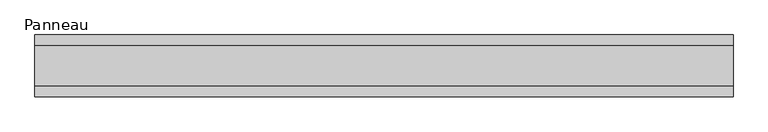
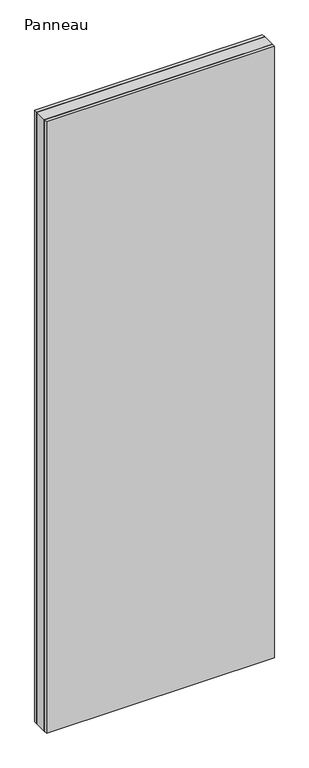
"""IFC4 building model written with IfcOpenShell, lengths in millimetres: plate geometry, Panneau."""

import ifcopenshell
import ifcopenshell.guid

model = None  # the IFC model being written
_history = None  # IfcOwnerHistory: only IFC2X3 demands one
_inside = {}  # id of a spatial element -> (the spatial element, [elements in it])
_under = {}  # id of a project, library or spatial element -> (it, [spatial elements below it])
_declared = {}  # id of a project -> (the project, [libraries it declares])
_typed = {}  # id of a type object -> (the type object, [elements of that type])
_made_of = {}  # id of a material, layer set ... -> (it, [elements and type objects made of it])


def new_model(schema):
    """Start an empty IFC model of exactly this schema.

    Asked for "IFC4X3", IfcOpenShell would pick the latest addendum, in which some entities
    have other attributes; the version numbers below select the first issue.
    IFC2X3 requires an IfcOwnerHistory on every rooted entity: one is made here for all.
    """
    global model, _history
    if schema == "IFC4X3":
        model = ifcopenshell.file(schema_version=(4, 3, 0, 0))
    else:
        model = ifcopenshell.file(schema=schema)
    _inside.clear()
    _under.clear()
    _declared.clear()
    _typed.clear()
    _made_of.clear()
    _history = None
    if model.schema == "IFC2X3":
        org = make("IfcOrganization", Name="unknown")
        user = make(
            "IfcPersonAndOrganization",
            ThePerson=make("IfcPerson", FamilyName="unknown"),
            TheOrganization=org,
        )
        app = make(
            "IfcApplication",
            ApplicationDeveloper=org,
            Version="unknown",
            ApplicationFullName="unknown",
            ApplicationIdentifier="unknown",
        )
        _history = make(
            "IfcOwnerHistory",
            OwningUser=user,
            OwningApplication=app,
            ChangeAction="ADDED",
            CreationDate=0,
        )
    return model


def make(cls, **values):
    """One entity of the class cls with the attributes given. An attribute that is None is left unset."""
    return model.create_entity(
        cls, **{name: value for name, value in values.items() if value is not None}
    )


def rooted(cls, **values):
    """An entity with a GlobalId (a new one), such as an element, a storey or a relation."""
    return make(cls, GlobalId=ifcopenshell.guid.new(), OwnerHistory=_history, **values)


def si_unit(unit_type, name, prefix=None):
    """IfcSIUnit, for example si_unit("LENGTHUNIT", "METRE", prefix="MILLI")."""
    return make("IfcSIUnit", UnitType=unit_type, Prefix=prefix, Name=name)


def assignment(units):
    """IfcUnitAssignment: the units of a project."""
    return None if units is None else make("IfcUnitAssignment", Units=units)


def point(xyz):
    """IfcCartesianPoint."""
    return None if xyz is None else make("IfcCartesianPoint", Coordinates=xyz)


def direction(xyz):
    """IfcDirection."""
    return None if xyz is None else make("IfcDirection", DirectionRatios=xyz)


def frame(location, z_axis=None, x_axis=None):
    """IfcAxis2Placement3D, a coordinate frame: its origin and axes. An axis left out is left unset."""
    return make(
        "IfcAxis2Placement3D",
        Location=point(location),
        Axis=direction(z_axis),
        RefDirection=direction(x_axis),
    )


def origin():
    """The frame at (0, 0, 0) with its axes left unset."""
    return frame((0.0, 0.0, 0.0))


def origin_with_axes():
    """The frame at (0, 0, 0) with the z axis (0, 0, 1) and the x axis (1, 0, 0) written out."""
    return frame((0.0, 0.0, 0.0), z_axis=(0.0, 0.0, 1.0), x_axis=(1.0, 0.0, 0.0))


def place(relative_to, where):
    """IfcLocalPlacement: puts the frame where relative to a parent placement (None: the world)."""
    return make(
        "IfcLocalPlacement", PlacementRelTo=relative_to, RelativePlacement=where
    )


def context(
    kind, dimensions, precision=None, world=None, true_north=None, identifier=None
):
    """IfcGeometricRepresentationContext, for example the 3D "Model" context."""
    return make(
        "IfcGeometricRepresentationContext",
        ContextIdentifier=identifier,
        ContextType=kind,
        CoordinateSpaceDimension=dimensions,
        Precision=precision,
        WorldCoordinateSystem=world,
        TrueNorth=true_north,
    )


def project(units=None, contexts=None):
    """IfcProject with its units and contexts."""
    return rooted(
        "IfcProject",
        Name="project",
        RepresentationContexts=contexts,
        UnitsInContext=assignment(units),
    )


def spatial(cls, under=None, at=None, **own):
    """A site, building, storey or space (cls), placed at a placement, below another one or the project."""
    s = rooted(cls, ObjectPlacement=at, **own)
    if under is not None:
        _under.setdefault(under.id(), (under, []))[1].append(s)
    return s


def polyline(points):
    """IfcPolyline through the points."""
    return make("IfcPolyline", Points=[point(p) for p in points])


def outline(outer, holes=None, kind="AREA"):
    """IfcArbitraryClosedProfileDef: a profile drawn as a closed curve; with holes, ...WithVoids."""
    if holes is None:
        return make("IfcArbitraryClosedProfileDef", ProfileType=kind, OuterCurve=outer)
    return make(
        "IfcArbitraryProfileDefWithVoids",
        ProfileType=kind,
        OuterCurve=outer,
        InnerCurves=holes,
    )


def extrude(swept, where, along, depth):
    """IfcExtrudedAreaSolid: the profile swept, set in the frame where, extruded along a direction by depth."""
    return make(
        "IfcExtrudedAreaSolid",
        SweptArea=swept,
        Position=where,
        ExtrudedDirection=direction(along),
        Depth=depth,
    )


def shape(context_of_items, identifier, shape_type, items):
    """IfcShapeRepresentation: the items that make up one representation, for example the "Body"."""
    return make(
        "IfcShapeRepresentation",
        ContextOfItems=context_of_items,
        RepresentationIdentifier=identifier,
        RepresentationType=shape_type,
        Items=items,
    )


def source(mapping_origin, context_of_items, identifier, shape_type, items):
    """IfcRepresentationMap: a shape defined once, which mapped items show again and again."""
    return make(
        "IfcRepresentationMap",
        MappingOrigin=mapping_origin,
        MappedRepresentation=shape(context_of_items, identifier, shape_type, items),
    )


def transform(
    local_origin,
    x_axis=None,
    y_axis=None,
    z_axis=None,
    scale=None,
    scale2=None,
    scale3=None,
    uniform=True,
):
    """IfcCartesianTransformationOperator3D, or its non-uniform kind. x_axis, y_axis, z_axis: its Axis1, 2, 3."""
    if uniform:
        return make(
            "IfcCartesianTransformationOperator3D",
            Axis1=direction(x_axis),
            Axis2=direction(y_axis),
            LocalOrigin=point(local_origin),
            Scale=scale,
            Axis3=direction(z_axis),
        )
    return make(
        "IfcCartesianTransformationOperator3DnonUniform",
        Axis1=direction(x_axis),
        Axis2=direction(y_axis),
        LocalOrigin=point(local_origin),
        Scale=scale,
        Axis3=direction(z_axis),
        Scale2=scale2,
        Scale3=scale3,
    )


def mapped(mapping_source, mapping_target):
    """IfcMappedItem: shows the shape of a source again, moved by a transform."""
    return make(
        "IfcMappedItem", MappingSource=mapping_source, MappingTarget=mapping_target
    )


def made_of(thing, what):
    """Note that an element or type object is made of a material, layer set ...; save() writes the relation."""
    if what is not None:
        _made_of.setdefault(what.id(), (what, []))[1].append(thing)
    return thing


def element(
    cls,
    number,
    at=None,
    inside=None,
    cuts=None,
    type_object=None,
    material=None,
    context=None,
    identifier="Body",
    shape_type=None,
    held_by="IfcProductDefinitionShape",
    body=None,
    shapes=None,
    **own,
):
    """One element of the class cls, such as IfcWall. Its Tag is "e" and its number.

    at: its placement. inside: the storey or other place that contains it. cuts: it is an
    opening in that element (IfcRelVoidsElement). A single representation is given by context,
    identifier, shape_type and body (its items); several are given by shapes. held_by: the class
    of the entity that holds the representations. save() writes the other relations.
    """
    e = rooted(cls, Tag="e%d" % number, ObjectPlacement=at, **own)
    if body is not None:
        shapes = [shape(context, identifier, shape_type, body)]
    if shapes is not None:
        e.Representation = make(held_by, Representations=shapes)
    if inside is not None:
        _inside.setdefault(inside.id(), (inside, []))[1].append(e)
    if cuts is not None:
        rooted(
            "IfcRelVoidsElement", RelatingBuildingElement=cuts, RelatedOpeningElement=e
        )
    if type_object is not None:
        _typed.setdefault(type_object.id(), (type_object, []))[1].append(e)
    return made_of(e, material)


def aggregate(whole, parts):
    """IfcRelAggregates: a whole, such as a stair, and the parts it consists of."""
    return rooted("IfcRelAggregates", RelatingObject=whole, RelatedObjects=parts)


def save(model, path):
    """Write the relations noted so far, then the file.

    IfcRelAggregates (storeys below a building ...), IfcRelContainedInSpatialStructure (elements
    in a storey), IfcRelDefinesByType, IfcRelAssociatesMaterial and IfcRelDeclares: one each for
    every whole, place, type object, material and project.
    """
    for whole, parts in _under.values():
        aggregate(whole, parts)
    for where, things in _inside.values():
        rooted(
            "IfcRelContainedInSpatialStructure",
            RelatedElements=things,
            RelatingStructure=where,
        )
    for kind, things in _typed.values():
        rooted("IfcRelDefinesByType", RelatedObjects=things, RelatingType=kind)
    for what, things in _made_of.values():
        rooted("IfcRelAssociatesMaterial", RelatedObjects=things, RelatingMaterial=what)
    for by, libraries in _declared.values():
        rooted("IfcRelDeclares", RelatingContext=by, RelatedDefinitions=libraries)
    model.write(path)


def panneau_2703b44e(model_context):
    return source(origin(), model_context, "Body", "SweptSolid", [
        extrude(outline(polyline([(509.1082011, 29.0), (509.1082011, -29.0), (-509.1082011, -29.0), (-509.1082011, 29.0), (509.1082011, 29.0)])), origin_with_axes(), (0.0, 0.0, 1.0), 2885.0),
        extrude(outline(polyline([(509.1082011, 45.0), (509.1082011, 29.0), (-509.1082011, 29.0), (-509.1082011, 45.0), (509.1082011, 45.0)])), origin_with_axes(), (0.0, 0.0, 1.0), 2885.0),
        extrude(outline(polyline([(-509.1082011, -45.0), (-509.1082011, -29.0), (509.1082011, -29.0), (509.1082011, -45.0), (-509.1082011, -45.0)])), origin_with_axes(), (0.0, 0.0, 1.0), 2885.0),
    ])


if __name__ == "__main__":
    model = new_model("IFC4")
    model_context = context("Model", 3, world=origin())
    ifc_project = project(units=[si_unit("LENGTHUNIT", "METRE", prefix="MILLI")], contexts=[model_context])
    site = spatial("IfcSite", under=ifc_project)
    building = spatial("IfcBuilding", under=site)
    placement = place(None, origin())
    panneau_shape = panneau_2703b44e(model_context)
    element("IfcPlate", 1, ObjectType="Panneau", at=placement, inside=building, context=model_context, shape_type="MappedRepresentation", body=[
        mapped(panneau_shape, transform((0.0, 0.0, 0.0), x_axis=(1.0, 0.0, 0.0), y_axis=(0.0, 1.0, 0.0), z_axis=(0.0, 0.0, 1.0))),
    ])
    save(model, "model.ifc")
